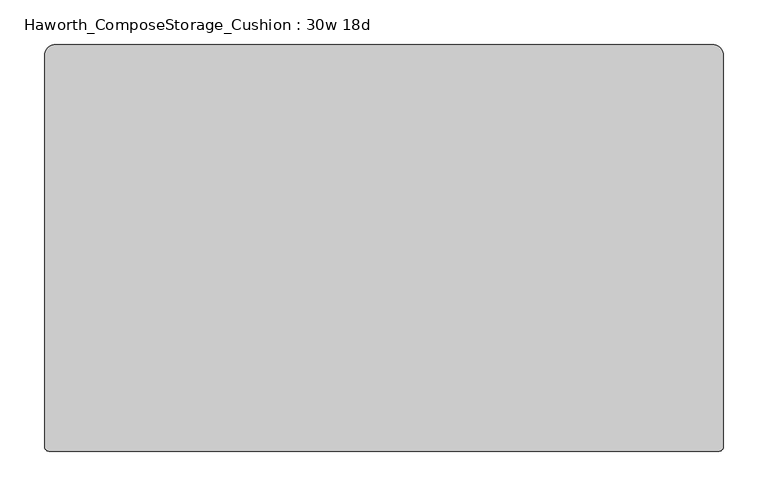
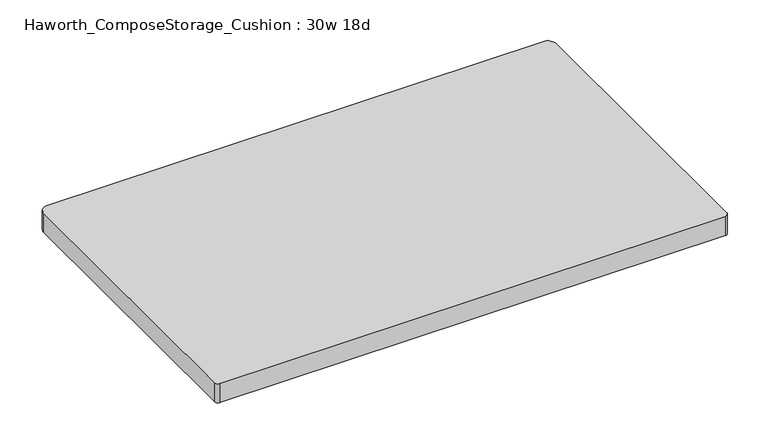
"""IFC4 building model written with IfcOpenShell, lengths in millimetres: furniture geometry, Haworth_ComposeStorage_Cushion : 30w 18d."""

from ifc_helpers import new_model, si_unit, point, frame, frame_2d, origin, place, context, project, spatial, polyline, circle_curve, trimmed, segment, composite_curve, outline, extrude, source, transform, mapped, element, save


def haworth_composestorage_cushion_30w_18d_a9c471c5(model_context):
    return source(origin(), model_context, "Body", "SweptSolid", [
        extrude(outline(composite_curve([segment(trimmed(circle_curve(frame_2d((368.3, 215.9)), 12.7), [point((368.3, 228.6))], [point((381.0, 215.9))], False, "CARTESIAN"), True, "CONTINUOUS"), segment(polyline([(381.0, 215.9), (381.0, -222.6870224)]), True, "CONTINUOUS"), segment(trimmed(circle_curve(frame_2d((375.0870224, -222.6870224)), 5.9129776), [point((381.0, -222.6870224))], [point((375.0870224, -228.6))], False, "CARTESIAN"), True, "CONTINUOUS"), segment(polyline([(375.0870224, -228.6), (-375.0870224, -228.6)]), True, "CONTINUOUS"), segment(trimmed(circle_curve(frame_2d((-375.0870224, -222.6870224)), 5.9129776), [point((-375.0870224, -228.6))], [point((-381.0, -222.6870224))], False, "CARTESIAN"), True, "CONTINUOUS"), segment(polyline([(-381.0, -222.6870224), (-381.0, 215.9)]), True, "CONTINUOUS"), segment(trimmed(circle_curve(frame_2d((-368.3, 215.9)), 12.7), [point((-381.0, 215.9))], [point((-368.3, 228.6))], False, "CARTESIAN"), True, "CONTINUOUS"), segment(polyline([(-368.3, 228.6), (368.3, 228.6)]), True, "CONTINUOUS")], self_intersect=False)), frame((0.0, 0.0, 609.6), z_axis=(0.0, 0.0, 1.0), x_axis=(1.0, 0.0, 0.0)), (0.0, 0.0, 1.0), 30.1625),
    ])


if __name__ == "__main__":
    model = new_model("IFC4")
    model_context = context("Model", 3, world=origin())
    ifc_project = project(units=[si_unit("LENGTHUNIT", "METRE", prefix="MILLI")], contexts=[model_context])
    site = spatial("IfcSite", under=ifc_project)
    building = spatial("IfcBuilding", under=site)
    placement = place(None, origin())
    haworth_composestorage_cushion_30w_18d_shape = haworth_composestorage_cushion_30w_18d_a9c471c5(model_context)
    element("IfcFurniture", 1, ObjectType="Haworth_ComposeStorage_Cushion : 30w 18d", at=placement, inside=building, context=model_context, shape_type="MappedRepresentation", body=[
        mapped(haworth_composestorage_cushion_30w_18d_shape, transform((0.0, 0.0, 0.0), x_axis=(1.0, 0.0, 0.0), y_axis=(0.0, 1.0, 0.0), z_axis=(0.0, 0.0, 1.0))),
    ])
    save(model, "model.ifc")
